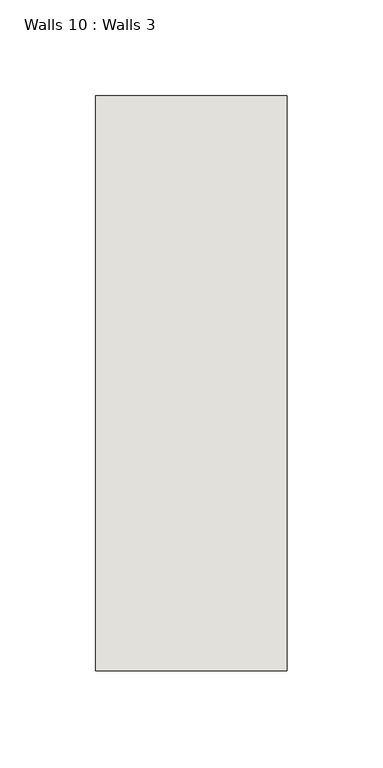
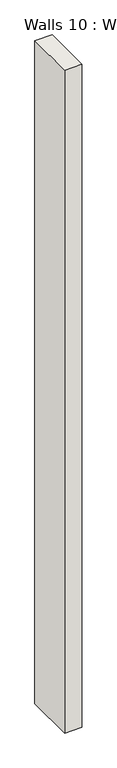
"""IFC4 building model written with IfcOpenShell, lengths in millimetres: wall geometry, Walls 10 : Walls 3."""

from ifc_helpers import new_model, si_unit, origin, origin_with_axes, place, context, project, spatial, polyline, outline, extrude, source, transform, mapped, element, save


def walls_10_walls_3_7046eb1a(model_context):
    return source(origin(), model_context, "Body", "SweptSolid", [
        extrude(outline(polyline([(-7212.3812655, 1518.41264), (-7212.3812655, 1818.41264), (-7112.3812655, 1818.41264), (-7112.3812655, 1518.41264), (-7212.3812655, 1518.41264)])), origin_with_axes(), (0.0, 0.0, 1.0), 4085.1192828),
    ])


if __name__ == "__main__":
    model = new_model("IFC4")
    model_context = context("Model", 3, world=origin())
    ifc_project = project(units=[si_unit("LENGTHUNIT", "METRE", prefix="MILLI")], contexts=[model_context])
    site = spatial("IfcSite", under=ifc_project)
    building = spatial("IfcBuilding", under=site)
    placement = place(None, origin())
    walls_10_walls_3_shape = walls_10_walls_3_7046eb1a(model_context)
    element("IfcWall", 1, ObjectType="Walls 10 : Walls 3", at=placement, inside=building, context=model_context, shape_type="MappedRepresentation", body=[
        mapped(walls_10_walls_3_shape, transform((0.0, 0.0, 0.0), x_axis=(1.0, 0.0, 0.0), y_axis=(0.0, 1.0, 0.0), z_axis=(0.0, 0.0, 1.0))),
    ])
    save(model, "model.ifc")
